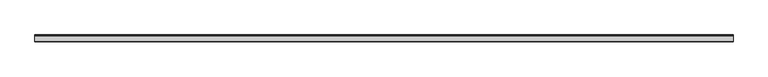
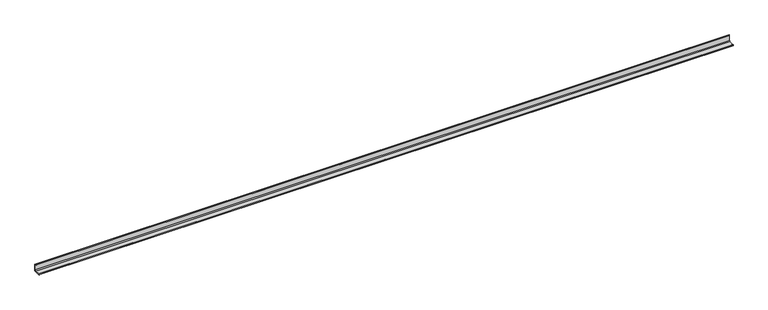
"""IFC4 building model written with IfcOpenShell, lengths in millimetres: beam geometry."""

import ifcopenshell
import ifcopenshell.guid

model = None  # the IFC model being written
_history = None  # IfcOwnerHistory: only IFC2X3 demands one
_inside = {}  # id of a spatial element -> (the spatial element, [elements in it])
_under = {}  # id of a project, library or spatial element -> (it, [spatial elements below it])
_declared = {}  # id of a project -> (the project, [libraries it declares])
_typed = {}  # id of a type object -> (the type object, [elements of that type])
_made_of = {}  # id of a material, layer set ... -> (it, [elements and type objects made of it])


def new_model(schema):
    """Start an empty IFC model of exactly this schema.

    Asked for "IFC4X3", IfcOpenShell would pick the latest addendum, in which some entities
    have other attributes; the version numbers below select the first issue.
    IFC2X3 requires an IfcOwnerHistory on every rooted entity: one is made here for all.
    """
    global model, _history
    if schema == "IFC4X3":
        model = ifcopenshell.file(schema_version=(4, 3, 0, 0))
    else:
        model = ifcopenshell.file(schema=schema)
    _inside.clear()
    _under.clear()
    _declared.clear()
    _typed.clear()
    _made_of.clear()
    _history = None
    if model.schema == "IFC2X3":
        org = make("IfcOrganization", Name="unknown")
        user = make(
            "IfcPersonAndOrganization",
            ThePerson=make("IfcPerson", FamilyName="unknown"),
            TheOrganization=org,
        )
        app = make(
            "IfcApplication",
            ApplicationDeveloper=org,
            Version="unknown",
            ApplicationFullName="unknown",
            ApplicationIdentifier="unknown",
        )
        _history = make(
            "IfcOwnerHistory",
            OwningUser=user,
            OwningApplication=app,
            ChangeAction="ADDED",
            CreationDate=0,
        )
    return model


def make(cls, **values):
    """One entity of the class cls with the attributes given. An attribute that is None is left unset."""
    return model.create_entity(
        cls, **{name: value for name, value in values.items() if value is not None}
    )


def rooted(cls, **values):
    """An entity with a GlobalId (a new one), such as an element, a storey or a relation."""
    return make(cls, GlobalId=ifcopenshell.guid.new(), OwnerHistory=_history, **values)


def si_unit(unit_type, name, prefix=None):
    """IfcSIUnit, for example si_unit("LENGTHUNIT", "METRE", prefix="MILLI")."""
    return make("IfcSIUnit", UnitType=unit_type, Prefix=prefix, Name=name)


def assignment(units):
    """IfcUnitAssignment: the units of a project."""
    return None if units is None else make("IfcUnitAssignment", Units=units)


def point(xyz):
    """IfcCartesianPoint."""
    return None if xyz is None else make("IfcCartesianPoint", Coordinates=xyz)


def direction(xyz):
    """IfcDirection."""
    return None if xyz is None else make("IfcDirection", DirectionRatios=xyz)


def frame(location, z_axis=None, x_axis=None):
    """IfcAxis2Placement3D, a coordinate frame: its origin and axes. An axis left out is left unset."""
    return make(
        "IfcAxis2Placement3D",
        Location=point(location),
        Axis=direction(z_axis),
        RefDirection=direction(x_axis),
    )


def frame_2d(location, x_axis=None):
    """IfcAxis2Placement2D, a coordinate frame in the plane: its origin and x axis."""
    return make(
        "IfcAxis2Placement2D", Location=point(location), RefDirection=direction(x_axis)
    )


def origin():
    """The frame at (0, 0, 0) with its axes left unset."""
    return frame((0.0, 0.0, 0.0))


def place(relative_to, where):
    """IfcLocalPlacement: puts the frame where relative to a parent placement (None: the world)."""
    return make(
        "IfcLocalPlacement", PlacementRelTo=relative_to, RelativePlacement=where
    )


def context(
    kind, dimensions, precision=None, world=None, true_north=None, identifier=None
):
    """IfcGeometricRepresentationContext, for example the 3D "Model" context."""
    return make(
        "IfcGeometricRepresentationContext",
        ContextIdentifier=identifier,
        ContextType=kind,
        CoordinateSpaceDimension=dimensions,
        Precision=precision,
        WorldCoordinateSystem=world,
        TrueNorth=true_north,
    )


def project(units=None, contexts=None):
    """IfcProject with its units and contexts."""
    return rooted(
        "IfcProject",
        Name="project",
        RepresentationContexts=contexts,
        UnitsInContext=assignment(units),
    )


def spatial(cls, under=None, at=None, **own):
    """A site, building, storey or space (cls), placed at a placement, below another one or the project."""
    s = rooted(cls, ObjectPlacement=at, **own)
    if under is not None:
        _under.setdefault(under.id(), (under, []))[1].append(s)
    return s


def polyline(points):
    """IfcPolyline through the points."""
    return make("IfcPolyline", Points=[point(p) for p in points])


def circle_curve(where, radius):
    """IfcCircle in the frame where."""
    return make("IfcCircle", Position=where, Radius=radius)


def trimmed(basis, trim1, trim2, sense, master):
    """IfcTrimmedCurve: the piece of a basis curve between two trims."""
    return make(
        "IfcTrimmedCurve",
        BasisCurve=basis,
        Trim1=trim1,
        Trim2=trim2,
        SenseAgreement=sense,
        MasterRepresentation=master,
    )


def segment(curve, same_sense, transition):
    """IfcCompositeCurveSegment."""
    return make(
        "IfcCompositeCurveSegment",
        Transition=transition,
        SameSense=same_sense,
        ParentCurve=curve,
    )


def composite_curve(segments, self_intersect=None):
    """IfcCompositeCurve: segments joined end to end."""
    return make("IfcCompositeCurve", Segments=segments, SelfIntersect=self_intersect)


def outline(outer, holes=None, kind="AREA"):
    """IfcArbitraryClosedProfileDef: a profile drawn as a closed curve; with holes, ...WithVoids."""
    if holes is None:
        return make("IfcArbitraryClosedProfileDef", ProfileType=kind, OuterCurve=outer)
    return make(
        "IfcArbitraryProfileDefWithVoids",
        ProfileType=kind,
        OuterCurve=outer,
        InnerCurves=holes,
    )


def extrude(swept, where, along, depth):
    """IfcExtrudedAreaSolid: the profile swept, set in the frame where, extruded along a direction by depth."""
    return make(
        "IfcExtrudedAreaSolid",
        SweptArea=swept,
        Position=where,
        ExtrudedDirection=direction(along),
        Depth=depth,
    )


def shape(context_of_items, identifier, shape_type, items):
    """IfcShapeRepresentation: the items that make up one representation, for example the "Body"."""
    return make(
        "IfcShapeRepresentation",
        ContextOfItems=context_of_items,
        RepresentationIdentifier=identifier,
        RepresentationType=shape_type,
        Items=items,
    )


def source(mapping_origin, context_of_items, identifier, shape_type, items):
    """IfcRepresentationMap: a shape defined once, which mapped items show again and again."""
    return make(
        "IfcRepresentationMap",
        MappingOrigin=mapping_origin,
        MappedRepresentation=shape(context_of_items, identifier, shape_type, items),
    )


def transform(
    local_origin,
    x_axis=None,
    y_axis=None,
    z_axis=None,
    scale=None,
    scale2=None,
    scale3=None,
    uniform=True,
):
    """IfcCartesianTransformationOperator3D, or its non-uniform kind. x_axis, y_axis, z_axis: its Axis1, 2, 3."""
    if uniform:
        return make(
            "IfcCartesianTransformationOperator3D",
            Axis1=direction(x_axis),
            Axis2=direction(y_axis),
            LocalOrigin=point(local_origin),
            Scale=scale,
            Axis3=direction(z_axis),
        )
    return make(
        "IfcCartesianTransformationOperator3DnonUniform",
        Axis1=direction(x_axis),
        Axis2=direction(y_axis),
        LocalOrigin=point(local_origin),
        Scale=scale,
        Axis3=direction(z_axis),
        Scale2=scale2,
        Scale3=scale3,
    )


def mapped(mapping_source, mapping_target):
    """IfcMappedItem: shows the shape of a source again, moved by a transform."""
    return make(
        "IfcMappedItem", MappingSource=mapping_source, MappingTarget=mapping_target
    )


def made_of(thing, what):
    """Note that an element or type object is made of a material, layer set ...; save() writes the relation."""
    if what is not None:
        _made_of.setdefault(what.id(), (what, []))[1].append(thing)
    return thing


def element(
    cls,
    number,
    at=None,
    inside=None,
    cuts=None,
    type_object=None,
    material=None,
    context=None,
    identifier="Body",
    shape_type=None,
    held_by="IfcProductDefinitionShape",
    body=None,
    shapes=None,
    **own,
):
    """One element of the class cls, such as IfcWall. Its Tag is "e" and its number.

    at: its placement. inside: the storey or other place that contains it. cuts: it is an
    opening in that element (IfcRelVoidsElement). A single representation is given by context,
    identifier, shape_type and body (its items); several are given by shapes. held_by: the class
    of the entity that holds the representations. save() writes the other relations.
    """
    e = rooted(cls, Tag="e%d" % number, ObjectPlacement=at, **own)
    if body is not None:
        shapes = [shape(context, identifier, shape_type, body)]
    if shapes is not None:
        e.Representation = make(held_by, Representations=shapes)
    if inside is not None:
        _inside.setdefault(inside.id(), (inside, []))[1].append(e)
    if cuts is not None:
        rooted(
            "IfcRelVoidsElement", RelatingBuildingElement=cuts, RelatedOpeningElement=e
        )
    if type_object is not None:
        _typed.setdefault(type_object.id(), (type_object, []))[1].append(e)
    return made_of(e, material)


def aggregate(whole, parts):
    """IfcRelAggregates: a whole, such as a stair, and the parts it consists of."""
    return rooted("IfcRelAggregates", RelatingObject=whole, RelatedObjects=parts)


def save(model, path):
    """Write the relations noted so far, then the file.

    IfcRelAggregates (storeys below a building ...), IfcRelContainedInSpatialStructure (elements
    in a storey), IfcRelDefinesByType, IfcRelAssociatesMaterial and IfcRelDeclares: one each for
    every whole, place, type object, material and project.
    """
    for whole, parts in _under.values():
        aggregate(whole, parts)
    for where, things in _inside.values():
        rooted(
            "IfcRelContainedInSpatialStructure",
            RelatedElements=things,
            RelatingStructure=where,
        )
    for kind, things in _typed.values():
        rooted("IfcRelDefinesByType", RelatedObjects=things, RelatingType=kind)
    for what, things in _made_of.values():
        rooted("IfcRelAssociatesMaterial", RelatedObjects=things, RelatingMaterial=what)
    for by, libraries in _declared.values():
        rooted("IfcRelDeclares", RelatingContext=by, RelatedDefinitions=libraries)
    model.write(path)


def beam_9de8cab7(model_context):
    return source(origin(), model_context, "Body", "SweptSolid", [
        extrude(outline(composite_curve([segment(polyline([(21.3, -21.3), (-53.7, -21.3), (-53.7, -18.3)]), True, "CONTINUOUS"), segment(trimmed(circle_curve(frame_2d((-48.7, -18.3)), 5.0), [point((-53.7, -18.3))], [point((-48.7, -13.3))], False, "CARTESIAN"), True, "CONTINUOUS"), segment(polyline([(-48.7, -13.3), (5.3, -13.3)]), True, "CONTINUOUS"), segment(trimmed(circle_curve(frame_2d((5.3, -5.3)), 8.0), [point((5.3, -13.3))], [point((13.3, -5.3))], True, "CARTESIAN"), True, "CONTINUOUS"), segment(polyline([(13.3, -5.3), (13.3, 48.7)]), True, "CONTINUOUS"), segment(trimmed(circle_curve(frame_2d((18.3, 48.7)), 5.0), [point((13.3, 48.7))], [point((18.3, 53.7))], False, "CARTESIAN"), True, "CONTINUOUS"), segment(polyline([(18.3, 53.7), (21.3, 53.7), (21.3, -21.3)]), True, "CONTINUOUS")], self_intersect=False)), frame((-3690.0, 0.0, 0.0), z_axis=(1.0, 0.0, 0.0), x_axis=(0.0, 1.0, 0.0)), (0.0, 0.0, 1.0), 7468.0),
    ])


if __name__ == "__main__":
    model = new_model("IFC4")
    model_context = context("Model", 3, world=origin())
    ifc_project = project(units=[si_unit("LENGTHUNIT", "METRE", prefix="MILLI")], contexts=[model_context])
    site = spatial("IfcSite", under=ifc_project)
    building = spatial("IfcBuilding", under=site)
    placement = place(None, origin())
    beam_shape = beam_9de8cab7(model_context)
    element("IfcBeam", 1, at=placement, inside=building, context=model_context, shape_type="MappedRepresentation", body=[
        mapped(beam_shape, transform((0.0, 0.0, 0.0), x_axis=(1.0, 0.0, 0.0), y_axis=(0.0, 1.0, 0.0), z_axis=(0.0, 0.0, 1.0))),
    ])
    save(model, "model.ifc")
